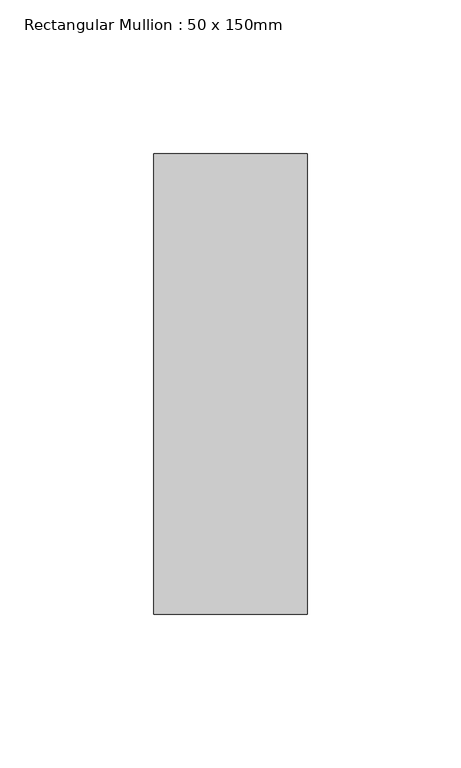
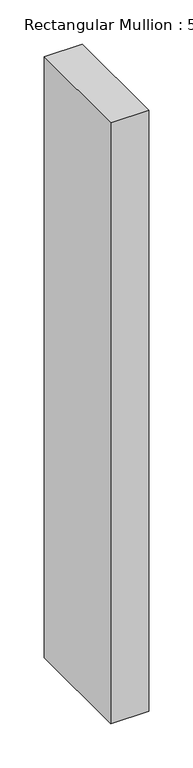
"""IFC4 building model written with IfcOpenShell, lengths in millimetres: member geometry, Rectangular Mullion : 50 x 150mm."""

from ifc_helpers import new_model, si_unit, frame, origin, place, context, project, spatial, polyline, outline, extrude, source, transform, mapped, element, save


def rectangular_mullion_50_x_150mm_fc10fbce(model_context):
    return source(origin(), model_context, "Body", "SweptSolid", [
        extrude(outline(polyline([(0.0, 75.0), (0.0, -75.0), (-50.0, -75.0), (-50.0, 75.0), (0.0, 75.0)])), frame((0.0, 0.0, -830.0), z_axis=(0.0, 0.0, 1.0), x_axis=(1.0, 0.0, 0.0)), (0.0, 0.0, 1.0), 830.0),
    ])


if __name__ == "__main__":
    model = new_model("IFC4")
    model_context = context("Model", 3, world=origin())
    ifc_project = project(units=[si_unit("LENGTHUNIT", "METRE", prefix="MILLI")], contexts=[model_context])
    site = spatial("IfcSite", under=ifc_project)
    building = spatial("IfcBuilding", under=site)
    placement = place(None, origin())
    rectangular_mullion_50_x_150mm_shape = rectangular_mullion_50_x_150mm_fc10fbce(model_context)
    element("IfcMember", 1, ObjectType="Rectangular Mullion : 50 x 150mm", at=placement, inside=building, context=model_context, shape_type="MappedRepresentation", body=[
        mapped(rectangular_mullion_50_x_150mm_shape, transform((0.0, 0.0, 0.0), x_axis=(1.0, 0.0, 0.0), y_axis=(0.0, 1.0, 0.0), z_axis=(0.0, 0.0, 1.0))),
    ])
    save(model, "model.ifc")
